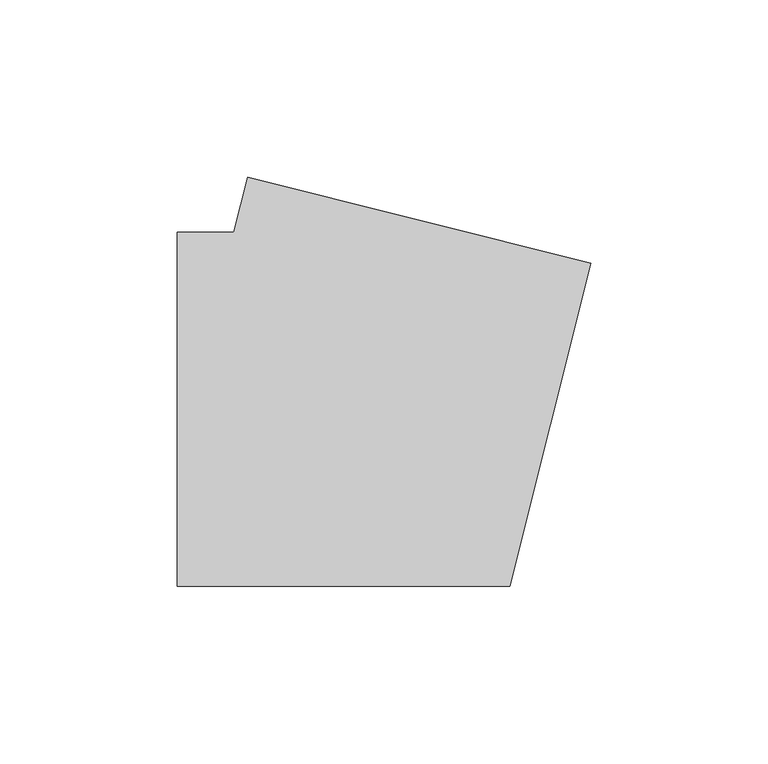
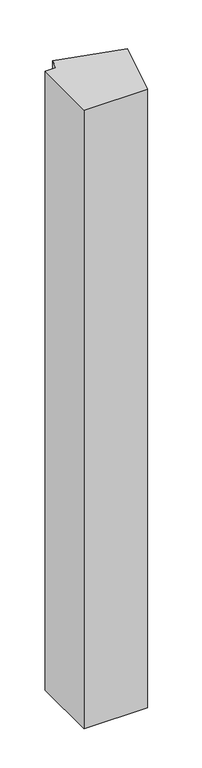
"""IFC4 building model written with IfcOpenShell, lengths in millimetres: member geometry."""

from ifc_helpers import new_model, si_unit, frame, origin, place, context, project, spatial, polyline, outline, extrude, source, transform, mapped, element, save


def member_22b317e4(model_context):
    return source(origin(), model_context, "Body", "SweptSolid", [
        extrude(outline(polyline([(61.9007176, 41.1497407), (38.9859628, -50.0), (-55.0, -50.0), (-55.0, 50.0), (-38.9859628, 50.0), (-35.0815741, 65.5307802), (61.9007176, 41.1497407)])), frame((0.0, 0.0, -967.0), z_axis=(0.0, 0.0, 1.0), x_axis=(1.0, 0.0, 0.0)), (0.0, 0.0, 1.0), 967.0),
    ])


if __name__ == "__main__":
    model = new_model("IFC4")
    model_context = context("Model", 3, world=origin())
    ifc_project = project(units=[si_unit("LENGTHUNIT", "METRE", prefix="MILLI")], contexts=[model_context])
    site = spatial("IfcSite", under=ifc_project)
    building = spatial("IfcBuilding", under=site)
    placement = place(None, origin())
    member_shape = member_22b317e4(model_context)
    element("IfcMember", 1, at=placement, inside=building, context=model_context, shape_type="MappedRepresentation", body=[
        mapped(member_shape, transform((0.0, 0.0, 0.0), x_axis=(1.0, 0.0, 0.0), y_axis=(0.0, 1.0, 0.0), z_axis=(0.0, 0.0, 1.0))),
    ])
    save(model, "model.ifc")
